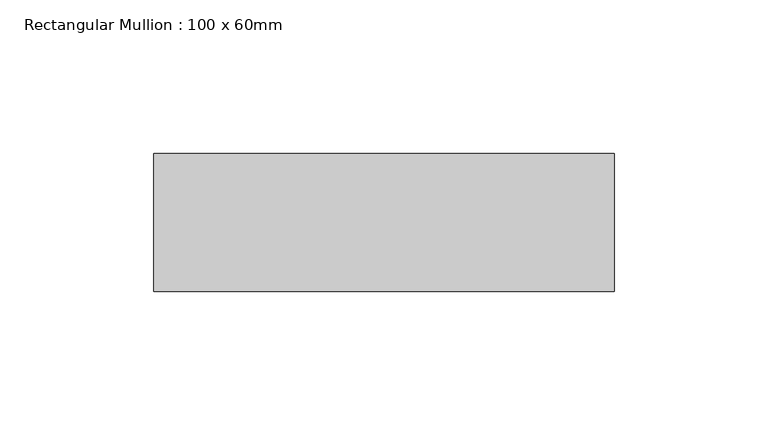
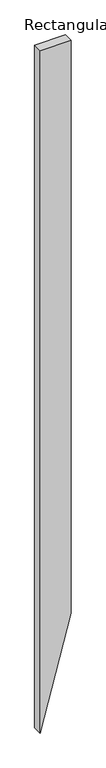
"""IFC4 building model written with IfcOpenShell, lengths in millimetres: member geometry, Rectangular Mullion : 100 x 60mm."""

from ifc_helpers import new_model, si_unit, frame, origin, place, context, project, spatial, polyline, outline, extrude, source, transform, mapped, element, save


def rectangular_mullion_100_x_60mm_b115dca7(model_context):
    return source(origin(), model_context, "Body", "SweptSolid", [
        extrude(outline(polyline([(0.0, 75.0), (0.0, -75.0), (-3489.05162, -75.0), (-2929.2439988, 75.0), (0.0, 75.0)])), frame((0.0, -30.0, 0.0), z_axis=(0.0, 1.0, 0.0), x_axis=(0.0, 0.0, 1.0)), (0.0, 0.0, 1.0), 45.0),
    ])


if __name__ == "__main__":
    model = new_model("IFC4")
    model_context = context("Model", 3, world=origin())
    ifc_project = project(units=[si_unit("LENGTHUNIT", "METRE", prefix="MILLI")], contexts=[model_context])
    site = spatial("IfcSite", under=ifc_project)
    building = spatial("IfcBuilding", under=site)
    placement = place(None, origin())
    rectangular_mullion_100_x_60mm_shape = rectangular_mullion_100_x_60mm_b115dca7(model_context)
    element("IfcMember", 1, ObjectType="Rectangular Mullion : 100 x 60mm", at=placement, inside=building, context=model_context, shape_type="MappedRepresentation", body=[
        mapped(rectangular_mullion_100_x_60mm_shape, transform((0.0, 0.0, 0.0), x_axis=(1.0, 0.0, 0.0), y_axis=(0.0, 1.0, 0.0), z_axis=(0.0, 0.0, 1.0))),
    ])
    save(model, "model.ifc")
